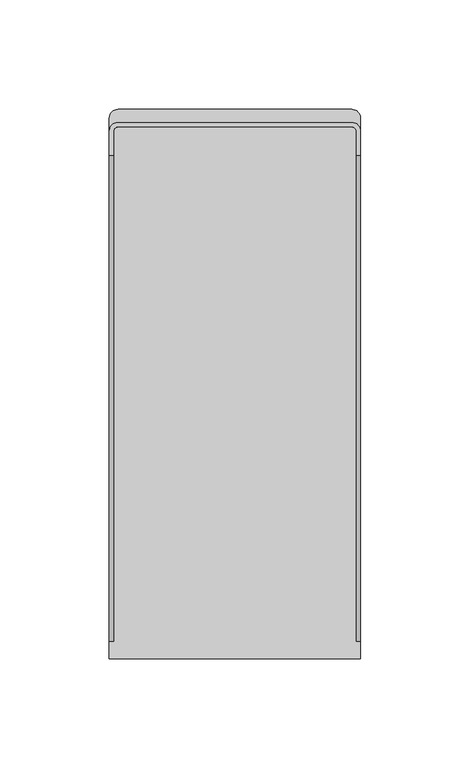
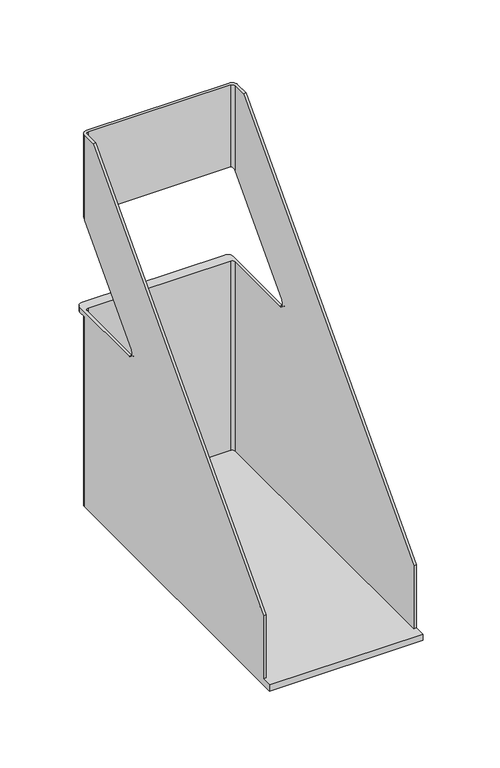
"""IFC4 building model written with IfcOpenShell, lengths in millimetres: furniture geometry."""

from ifc_helpers import new_model, si_unit, frame, origin, place, context, project, spatial, polyline, circle_curve, ellipse_curve, source, transform, mapped, element, save
from ifc_brep_helpers import plane_surface, cylinder_surface, revolved_surface, advanced_brep


def furniture_a80154f1(model_context):
    return source(origin(), model_context, "Body", "AdvancedBrep", [
        advanced_brep(
        [(-55.5, -10.0, 295.0), (-53.5, -8.0, 295.0), (53.5, -8.0, 295.0), (55.5, -10.0, 295.0), (55.5, -21.0, 295.0), (57.5, -21.0, 295.0), (57.5, -10.0, 295.0), (53.5, -6.0, 295.0), (-53.5, -6.0, 295.0), (-57.5, -10.0, 295.0), (-57.5, -21.0, 295.0), (-55.5, -21.0, 295.0), (-57.5, -10.0, 227.6756757), (-57.5, -71.0125447, 161.7161679), (-57.5, -68.0761469, 155.0), (-57.5, -4.0, 155.0), (-57.5, -4.0, 151.0), (-57.5, -10.0, 151.0), (-57.5, -10.0, 5.0), (-57.5, -10.0, 0.0), (-57.5, -251.0, 0.0), (-57.5, -251.0, 5.0), (-57.5, -243.0, 5.0), (-57.5, -243.0, 55.0), (-55.5, -243.0, 5.0), (-55.5, -243.0, 55.0), (-55.5, -10.0, 5.0), (-55.5, -10.0, 155.0), (-55.5, -68.0761469, 155.0), (-55.5, -71.0125447, 161.7161679), (-55.5, -10.0, 227.6756757), (-53.5, -8.0, 229.8378378), (-53.5, -8.0, 5.0), (-53.5, -8.0, 155.0), (53.5, -8.0, 229.8378378), (53.5, -8.0, 5.0), (53.5, -8.0, 155.0), (55.5, -10.0, 227.6756757), (55.5, -10.0, 5.0), (55.5, -10.0, 155.0), (55.5, -71.0125447, 161.7161679), (55.5, -68.0761469, 155.0), (55.5, -243.0, 5.0), (55.5, -243.0, 55.0), (57.5, -243.0, 5.0), (57.5, -243.0, 55.0), (57.5, -251.0, 5.0), (57.5, -251.0, 0.0), (57.5, -10.0, 0.0), (57.5, -10.0, 5.0), (57.5, -10.0, 151.0), (57.5, -4.0, 151.0), (57.5, -4.0, 155.0), (57.5, -68.0761469, 155.0), (57.5, -71.0125447, 161.7161679), (57.5, -10.0, 227.6756757), (53.5, -6.0, 232.0), (53.5, -6.0, 5.0), (53.5, -6.0, 151.0), (-53.5, -6.0, 232.0), (53.5, -6.0, 0.0), (-53.5, -6.0, 0.0), (-53.5, -6.0, 5.0), (-53.5, -6.0, 151.0), (53.5, 0.0, 155.0), (-53.5, 0.0, 155.0), (53.5, 0.0, 151.0), (-53.5, 0.0, 151.0), (-53.5, -2.0, 151.0), (53.5, -2.0, 151.0), (53.5, 0.0, 146.0), (-53.5, 0.0, 146.0), (53.5, -2.0, 146.0), (-53.5, -2.0, 146.0)],
        [
            (0, 1, circle_curve(frame((-53.5, -10.0, 295.0), z_axis=(0.0, 0.0, -1.0), x_axis=(1.0, 0.0, 0.0)), 2.0)),
            (1, 2),
            (2, 3, circle_curve(frame((53.5, -10.0, 295.0), z_axis=(0.0, 0.0, -1.0), x_axis=(1.0, 0.0, 0.0)), 2.0)),
            (3, 4),
            (4, 5),
            (5, 6),
            (6, 7, circle_curve(frame((53.5, -10.0, 295.0), z_axis=(0.0, 0.0, 1.0), x_axis=(1.0, 0.0, 0.0)), 4.0)),
            (7, 8),
            (8, 9, circle_curve(frame((-53.5, -10.0, 295.0), z_axis=(0.0, 0.0, 1.0), x_axis=(1.0, 0.0, 0.0)), 4.0)),
            (9, 10),
            (10, 11),
            (11, 0),
            (9, 12),
            (12, 13),
            (13, 14, circle_curve(frame((-57.5, -68.0761469, 159.0), z_axis=(1.0, 0.0, 0.0), x_axis=(0.0, -1.0, 0.0)), 4.0)),
            (14, 15),
            (15, 16),
            (16, 17),
            (17, 18),
            (18, 19),
            (19, 20),
            (20, 21),
            (21, 22),
            (22, 23),
            (23, 10),
            (22, 24),
            (24, 25),
            (25, 23),
            (11, 25),
            (24, 26),
            (26, 27),
            (27, 28),
            (28, 29, circle_curve(frame((-55.5, -68.0761469, 159.0), z_axis=(-1.0, 0.0, 0.0), x_axis=(0.0, -1.0, 0.0)), 4.0)),
            (29, 30),
            (30, 0),
            (30, 31, ellipse_curve(frame((-53.5, -10.0, 227.6756757), z_axis=(0.0, 0.7340994395864086, -0.6790419816174262), x_axis=(0.0, -0.6790419816174262, -0.7340994395864083)), 2.945326, 2.0)),
            (31, 1),
            (26, 32, circle_curve(frame((-53.5, -10.0, 5.0), z_axis=(0.0, 0.0, -1.0), x_axis=(1.0, 0.0, 0.0)), 2.0)),
            (32, 33),
            (33, 27, circle_curve(frame((-53.5, -10.0, 155.0), z_axis=(0.0, 0.0, 1.0), x_axis=(1.0, 0.0, 0.0)), 2.0)),
            (31, 34),
            (34, 2),
            (32, 35),
            (35, 36),
            (36, 33),
            (34, 37, ellipse_curve(frame((53.5, -10.0, 227.6756757), z_axis=(0.0, 0.7340994395864086, -0.6790419816174262), x_axis=(0.0, -0.6790419816174262, -0.7340994395864083)), 2.945326, 2.0)),
            (37, 3),
            (35, 38, circle_curve(frame((53.5, -10.0, 5.0), z_axis=(0.0, 0.0, -1.0), x_axis=(1.0, 0.0, 0.0)), 2.0)),
            (38, 39),
            (39, 36, circle_curve(frame((53.5, -10.0, 155.0), z_axis=(0.0, 0.0, 1.0), x_axis=(1.0, 0.0, 0.0)), 2.0)),
            (37, 40),
            (40, 41, circle_curve(frame((55.5, -68.0761469, 159.0), z_axis=(1.0, 0.0, 0.0), x_axis=(0.0, -1.0, 0.0)), 4.0)),
            (41, 39),
            (38, 42),
            (42, 43),
            (43, 4),
            (42, 44),
            (44, 45),
            (45, 43),
            (5, 45),
            (44, 46),
            (46, 47),
            (47, 48),
            (48, 49),
            (49, 50),
            (50, 51),
            (51, 52),
            (52, 53),
            (53, 54, circle_curve(frame((57.5, -68.0761469, 159.0), z_axis=(-1.0, 0.0, 0.0), x_axis=(0.0, -1.0, 0.0)), 4.0)),
            (54, 55),
            (55, 6),
            (55, 56, ellipse_curve(frame((53.5, -10.0, 227.6756757), z_axis=(0.0, -0.7340994395864086, 0.6790419816174262), x_axis=(0.0, 0.6790419816174262, 0.7340994395864083)), 5.890652, 4.0)),
            (56, 7),
            (49, 57, circle_curve(frame((53.5, -10.0, 5.0), z_axis=(0.0, 0.0, 1.0), x_axis=(1.0, 0.0, 0.0)), 4.0)),
            (57, 58),
            (58, 50, circle_curve(frame((53.5, -10.0, 151.0), z_axis=(0.0, 0.0, -1.0), x_axis=(1.0, 0.0, 0.0)), 4.0)),
            (56, 59),
            (59, 8),
            (57, 60),
            (60, 61),
            (61, 62),
            (62, 63),
            (63, 58),
            (59, 12, ellipse_curve(frame((-53.5, -10.0, 227.6756757), z_axis=(0.0, -0.7340994395864086, 0.6790419816174262), x_axis=(0.0, 0.6790419816174262, 0.7340994395864083)), 5.890652, 4.0)),
            (17, 63, circle_curve(frame((-53.5, -10.0, 151.0), z_axis=(0.0, 0.0, -1.0), x_axis=(1.0, 0.0, 0.0)), 4.0)),
            (62, 18, circle_curve(frame((-53.5, -10.0, 5.0), z_axis=(0.0, 0.0, 1.0), x_axis=(1.0, 0.0, 0.0)), 4.0)),
            (29, 13),
            (54, 40),
            (28, 14),
            (53, 41),
            (52, 64, circle_curve(frame((53.5, -4.0, 155.0), z_axis=(0.0, 0.0, 1.0), x_axis=(0.0, 1.0, 0.0)), 4.0)),
            (64, 65),
            (65, 15, circle_curve(frame((-53.5, -4.0, 155.0), z_axis=(0.0, 0.0, 1.0), x_axis=(-1.0, 0.0, 0.0)), 4.0)),
            (66, 51, circle_curve(frame((53.5, -4.0, 151.0), z_axis=(0.0, 0.0, -1.0), x_axis=(0.0, 1.0, 0.0)), 4.0)),
            (16, 67, circle_curve(frame((-53.5, -4.0, 151.0), z_axis=(0.0, 0.0, -1.0), x_axis=(-1.0, 0.0, 0.0)), 4.0)),
            (67, 68),
            (68, 69),
            (69, 66),
            (65, 67),
            (66, 64),
            (66, 70),
            (70, 71),
            (71, 67),
            (70, 72),
            (72, 73),
            (73, 71),
            (73, 68),
            (72, 69),
            (21, 46),
            (47, 20),
            (19, 61, circle_curve(frame((-53.5, -10.0, 0.0), z_axis=(0.0, 0.0, -1.0), x_axis=(1.0, 0.0, 0.0)), 4.0)),
            (60, 48, circle_curve(frame((53.5, -10.0, 0.0), z_axis=(0.0, 0.0, -1.0), x_axis=(1.0, 0.0, 0.0)), 4.0)),
        ],
        [
            plane_surface(frame((-57.5, -241.9363978, 295.0), z_axis=(0.0, 0.0, 1.0), x_axis=(0.0, -1.0, 0.0))),
            plane_surface(frame((-57.5, -10.0, 295.0), z_axis=(-1.0, 0.0, 0.0), x_axis=(0.0, 0.0, -1.0))),
            plane_surface(frame((-57.5, -243.0, 295.0), z_axis=(0.0, -1.0, 0.0), x_axis=(0.0, 0.0, -1.0))),
            plane_surface(frame((-55.5, -243.0, 295.0), z_axis=(1.0, 0.0, 0.0), x_axis=(0.0, 0.0, -1.0))),
            revolved_surface(polyline([(-51.5, -10.0, 225.5135135340007), (-51.5, -10.0, 295.0)]), (-53.5, -10.0, 5.0), (0.0, 0.0, -1.0)),
            revolved_surface(polyline([(-51.5, -10.0, 5.0), (-51.5, -10.0, 155.0)]), (-53.5, -10.0, 5.0), (0.0, 0.0, -1.0)),
            plane_surface(frame((-53.5, -8.0, 295.0), z_axis=(0.0, -1.0, 0.0), x_axis=(0.0, 0.0, -1.0))),
            revolved_surface(polyline([(55.5, -10.0, 225.5135135340007), (55.5, -10.0, 295.0)]), (53.5, -10.0, 5.0), (0.0, 0.0, -1.0)),
            revolved_surface(polyline([(55.5, -10.0, 5.0), (55.5, -10.0, 155.0)]), (53.5, -10.0, 5.0), (0.0, 0.0, -1.0)),
            plane_surface(frame((55.5, -10.0, 295.0), z_axis=(-1.0, 0.0, 0.0), x_axis=(0.0, 0.0, -1.0))),
            plane_surface(frame((55.5, -243.0, 295.0), z_axis=(0.0, -1.0, 0.0), x_axis=(0.0, 0.0, -1.0))),
            plane_surface(frame((57.5, -243.0, 295.0), z_axis=(1.0, 0.0, 0.0), x_axis=(0.0, 0.0, -1.0))),
            cylinder_surface(frame((53.5, -10.0, 5.0), z_axis=(0.0, 0.0, 1.0), x_axis=(1.0, 0.0, 0.0)), 4.0),
            plane_surface(frame((53.5, -6.0, 295.0), z_axis=(0.0, 1.0, 0.0), x_axis=(0.0, 0.0, -1.0))),
            cylinder_surface(frame((-53.5, -10.0, 5.0), z_axis=(0.0, 0.0, 1.0), x_axis=(1.0, 0.0, 0.0)), 4.0),
            plane_surface(frame((57.5, -254.4573339, 42.6136931), z_axis=(0.0, -0.7340994395864074, 0.6790419816174273), x_axis=(-1.0, 0.0, 0.0))),
            plane_surface(frame((57.5, 0.0, 238.4864865), z_axis=(0.0, 0.7340994395864086, -0.6790419816174262), x_axis=(-1.0, 0.0, 0.0))),
            revolved_surface(polyline([(-55.5, -72.0761469, 159.0), (-57.5, -72.0761469, 159.0)]), (0.0, -68.0761469, 159.0), (1.0, 0.0, 0.0)),
            revolved_surface(polyline([(57.5, -72.0761469, 159.0), (55.5, -72.0761469, 159.0)]), (0.0, -68.0761469, 159.0), (1.0, 0.0, 0.0)),
            plane_surface(frame((57.5, -68.0761469, 155.0), z_axis=(0.0, 0.0, 1.0), x_axis=(-1.0, 0.0, 0.0))),
            plane_surface(frame((-57.5, -4.0, 151.0), z_axis=(0.0, 0.0, -1.0), x_axis=(0.0, 1.0, 0.0))),
            cylinder_surface(frame((-53.5, -4.0, 151.0), z_axis=(0.0, 0.0, 1.0), x_axis=(-1.0, 0.0, 0.0)), 4.0),
            cylinder_surface(frame((53.5, -4.0, 151.0), z_axis=(0.0, 0.0, 1.0), x_axis=(0.0, 1.0, 0.0)), 4.0),
            plane_surface(frame((53.5, 0.0, 155.0), z_axis=(0.0, 1.0, 0.0), x_axis=(0.0, 0.0, -1.0))),
            plane_surface(frame((-53.5, -2.0, 146.0), z_axis=(0.0, 0.0, -1.0), x_axis=(0.0, 1.0, 0.0))),
            plane_surface(frame((-53.5, 0.0, 151.0), z_axis=(-1.0, 0.0, 0.0), x_axis=(0.0, 0.0, -1.0))),
            plane_surface(frame((-53.5, -2.0, 151.0), z_axis=(0.0, -1.0, 0.0), x_axis=(0.0, 0.0, -1.0))),
            plane_surface(frame((53.5, -2.0, 151.0), z_axis=(1.0, 0.0, 0.0), x_axis=(0.0, 0.0, -1.0))),
            plane_surface(frame((57.5, -4.0, 5.0), z_axis=(0.0, 0.0, 1.0), x_axis=(0.0, 1.0, 0.0))),
            plane_surface(frame((57.5, -4.0, 0.0), z_axis=(0.0, 0.0, -1.0), x_axis=(0.0, -1.0, 0.0))),
            cylinder_surface(frame((53.5, -10.0, 0.0), z_axis=(0.0, 0.0, 1.0), x_axis=(1.0, 0.0, 0.0)), 4.0),
            cylinder_surface(frame((-53.5, -10.0, 0.0), z_axis=(0.0, 0.0, 1.0), x_axis=(1.0, 0.0, 0.0)), 4.0),
            plane_surface(frame((-57.5, -251.0, 5.0), z_axis=(0.0, -1.0, 0.0), x_axis=(0.0, 0.0, -1.0))),
        ],
        [
            (0, [[1, 2, 3, 4, 5, 6, 7, 8, 9, 10, 11, 12]]),
            (1, [[-10, 13, 14, 15, 16, 17, 18, 19, 20, 21, 22, 23, 24, 25]]),
            (2, [[-24, 26, 27, 28]]),
            (3, [[-12, 29, -27, 30, 31, 32, 33, 34, 35]]),
            (4, [[-1, -35, 36, 37]]),
            (5, [[-31, 38, 39, 40]]),
            (6, [[-2, -37, 41, 42]]),
            (6, [[-39, 43, 44, 45]]),
            (7, [[-3, -42, 46, 47]]),
            (8, [[-44, 48, 49, 50]]),
            (9, [[-4, -47, 51, 52, 53, -49, 54, 55, 56]]),
            (10, [[-55, 57, 58, 59]]),
            (11, [[-6, 60, -58, 61, 62, 63, 64, 65, 66, 67, 68, 69, 70, 71]]),
            (12, [[-7, -71, 72, 73]]),
            (12, [[-65, 74, 75, 76]]),
            (13, [[-8, -73, 77, 78]]),
            (13, [[-75, 79, 80, 81, 82, 83]]),
            (14, [[-9, -78, 84, -13]]),
            (14, [[-19, 85, -82, 86]]),
            (15, [[-5, -56, -59, -60]]),
            (15, [[-11, -25, -28, -29]]),
            (16, [[87, -14, -84, -77, -72, -70, 88, -51, -46, -41, -36, -34]]),
            (17, [[-87, -33, 89, -15]]),
            (18, [[-88, -69, 90, -52]]),
            (19, [[-89, -32, -40, -45, -50, -53, -90, -68, 91, 92, 93, -16]]),
            (20, [[94, -66, -76, -83, -85, -18, 95, 96, 97, 98]]),
            (21, [[-93, 99, -95, -17]]),
            (22, [[-91, -67, -94, 100]]),
            (23, [[-92, -100, 101, 102, 103, -99]]),
            (24, [[-102, 104, 105, 106]]),
            (25, [[-106, 107, -96, -103]]),
            (26, [[-105, 108, -97, -107]]),
            (27, [[-104, -101, -98, -108]]),
            (28, [[109, -61, -57, -54, -48, -43, -38, -30, -26, -23]]),
            (29, [[110, -21, 111, -80, 112, -63]]),
            (30, [[-112, -79, -74, -64]]),
            (31, [[-111, -20, -86, -81]]),
            (32, [[-109, -22, -110, -62]]),
        ],
    ),
    ])


if __name__ == "__main__":
    model = new_model("IFC4")
    model_context = context("Model", 3, world=origin())
    ifc_project = project(units=[si_unit("LENGTHUNIT", "METRE", prefix="MILLI")], contexts=[model_context])
    site = spatial("IfcSite", under=ifc_project)
    building = spatial("IfcBuilding", under=site)
    placement = place(None, origin())
    furniture_shape = furniture_a80154f1(model_context)
    element("IfcFurniture", 1, at=placement, inside=building, context=model_context, shape_type="MappedRepresentation", body=[
        mapped(furniture_shape, transform((0.0, 0.0, 0.0), x_axis=(1.0, 0.0, 0.0), y_axis=(0.0, 1.0, 0.0), z_axis=(0.0, 0.0, 1.0))),
    ])
    save(model, "model.ifc")
